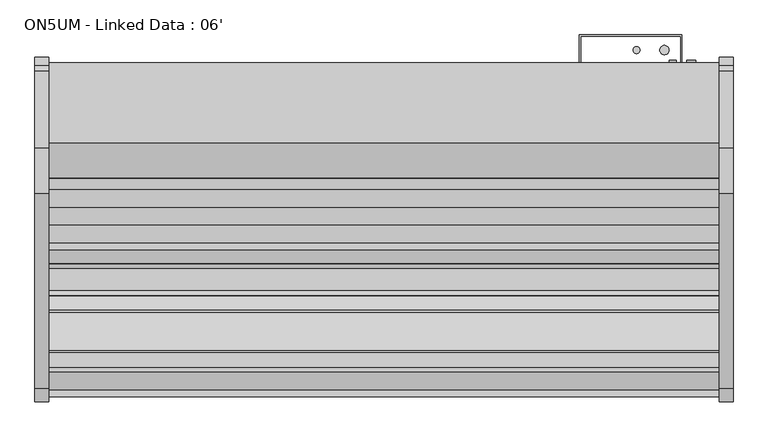
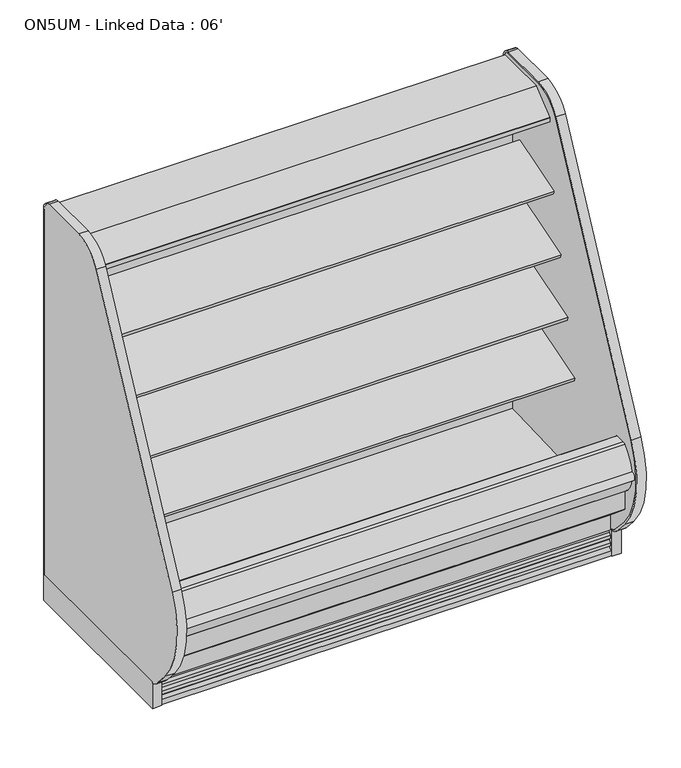
"""IFC4 building model written with IfcOpenShell, lengths in millimetres: proxy geometry, ON5UM - Linked Data : 06'."""

from ifc_helpers import new_model, si_unit, point, frame, frame_2d, origin, origin_with_axes, place, context, project, spatial, polyline, circle_curve, trimmed, segment, composite_curve, outline, extrude, source, transform, mapped, element, save
from ifc_brep_helpers import plane_surface, cylinder_surface, revolved_surface, advanced_brep


def on5um_linked_data_06_06e5a6c3(model_context):
    return source(origin(), model_context, "Body", "SolidModel", [
        extrude(outline(composite_curve([segment(polyline([(-386.2893812, 1680.5112406), (-386.2893812, 114.3), (-1152.4160029, 114.3), (-1152.4160029, 109.4814209)]), True, "CONTINUOUS"), segment(trimmed(circle_curve(frame_2d((-1137.0030162, 174.3506772)), 66.6751871), [point((-1152.4160029, 109.4814209))], [point((-1188.0213353, 131.4238594))], False, "CARTESIAN"), True, "CONTINUOUS"), segment(polyline([(-1188.0213353, 131.4238594), (-1241.1522033, 191.7701108)]), True, "CONTINUOUS"), segment(trimmed(circle_curve(frame_2d((-969.519668, 423.7103658)), 357.1841488), [point((-1241.1522033, 191.7701108))], [point((-1289.7288766, 581.9714755))], False, "CARTESIAN"), True, "CONTINUOUS"), segment(trimmed(circle_curve(frame_2d((9141.921087, -3966.5313645)), 11380.1669166), [point((-1289.7288766, 581.9714755))], [point((-757.6298618, 1646.586313))], False, "CARTESIAN"), True, "CONTINUOUS"), segment(trimmed(circle_curve(frame_2d((-626.9237334, 1572.4749838)), 150.2550535), [point((-757.6298618, 1646.586313))], [point((-633.7326134, 1722.5756842))], False, "CARTESIAN"), True, "CONTINUOUS"), segment(polyline([(-633.7326134, 1722.5756842), (-424.7661122, 1722.5756842)]), True, "CONTINUOUS"), segment(trimmed(circle_curve(frame_2d((-424.7661122, 1689.095884)), 33.4798002), [point((-424.7661122, 1722.5756842))], [point((-408.2318186, 1718.2079804))], False, "CARTESIAN"), True, "CONTINUOUS"), segment(trimmed(circle_curve(frame_2d((-429.6417835, 1680.5112406)), 43.3524023), [point((-408.2318186, 1718.2079804))], [point((-386.2893812, 1680.5112406))], False, "CARTESIAN"), True, "CONTINUOUS")], self_intersect=False)), frame((-38.1, 0.0, 0.0), z_axis=(1.0, 0.0, 0.0), x_axis=(0.0, 1.0, 0.0)), (0.0, 0.0, 1.0), 38.1),
        advanced_brep(
        [(-38.1, -1238.2478592, 197.2583924), (-38.1, -1170.0712436, 125.1554313), (-38.1, -1152.4994478, 116.8957338), (-38.1, -1152.4994478, 109.4924604), (-38.1, -1188.0465066, 131.4150415), (-38.1, -1241.1522033, 191.7701108), (-38.1, -1289.7288766, 581.9714755), (-38.1, -757.6298618, 1646.586313), (-38.1, -633.7326134, 1722.5756842), (-38.1, -424.7661122, 1722.5756842), (-38.1, -408.2318186, 1718.2079804), (-38.1, -386.2893812, 1680.5112406), (-38.1, -386.2893812, 114.3), (-38.1, -392.6393812, 114.3), (-38.1, -392.6393812, 1680.5112406), (-38.1, -411.3678219, 1712.6863879), (-38.1, -424.7661122, 1716.2256842), (-38.1, -633.5871081, 1716.2256842), (-38.1, -752.1060282, 1643.454259), (-38.1, -1283.943801, 579.3516742), (0.0, -1238.2478594, 197.2583922), (0.0, -1283.943801, 579.3516742), (0.0, -752.1060287, 1643.4542593), (0.0, -633.5871081, 1716.2256842), (0.0, -424.7661122, 1716.2256842), (0.0, -411.3678219, 1712.6863879), (0.0, -392.6393812, 1680.5112406), (0.0, -392.6393812, 114.3), (0.0, -386.2893812, 114.3), (0.0, -386.2893812, 1680.5112406), (0.0, -408.2318186, 1718.2079804), (0.0, -424.7661122, 1722.5756842), (0.0, -633.7326134, 1722.5756842), (0.0, -757.6298618, 1646.586313), (0.0, -1289.7288766, 581.9714755), (0.0, -1241.1522033, 191.7701108), (0.0, -1188.0465066, 131.4150415), (0.0, -1152.4994478, 109.4924604), (0.0, -1152.4994478, 116.8957338), (0.0, -1170.0712436, 125.1554313)],
        [
            (0, 1, circle_curve(frame((-38.1, -594.5520699, 737.618397), z_axis=(1.0, 0.0, 0.0), x_axis=(0.0, 1.0, 0.0)), 840.4363174)),
            (1, 2, circle_curve(frame((-38.1, -1137.362761, 171.9188236), z_axis=(1.0, 0.0, 0.0), x_axis=(0.0, 1.0, 0.0)), 57.0671508)),
            (2, 3),
            (3, 4, circle_curve(frame((-38.1, -1137.0350365, 174.3484557), z_axis=(-1.0, 0.0, 0.0), x_axis=(0.0, 1.0, 0.0)), 66.674194)),
            (4, 5),
            (5, 6, circle_curve(frame((-38.1, -969.519668, 423.7103658), z_axis=(-1.0, 0.0, 0.0), x_axis=(0.0, 1.0, 0.0)), 357.1841488)),
            (6, 7, circle_curve(frame((-38.1, 9141.921087, -3966.5313645), z_axis=(-1.0, 0.0, 0.0), x_axis=(0.0, 1.0, 0.0)), 11380.1669166)),
            (7, 8, circle_curve(frame((-38.1, -626.9237334, 1572.4749838), z_axis=(-1.0, 0.0, 0.0), x_axis=(0.0, 1.0, 0.0)), 150.2550535)),
            (8, 9),
            (9, 10, circle_curve(frame((-38.1, -424.7661122, 1689.095884), z_axis=(-1.0, 0.0, 0.0), x_axis=(0.0, 1.0, 0.0)), 33.4798002)),
            (10, 11, circle_curve(frame((-38.1, -429.6417835, 1680.5112406), z_axis=(-1.0, 0.0, 0.0), x_axis=(0.0, 1.0, 0.0)), 43.3524023)),
            (11, 12),
            (12, 13),
            (13, 14),
            (14, 15, circle_curve(frame((-38.1, -429.6417835, 1680.5112406), z_axis=(1.0, 0.0, 0.0), x_axis=(0.0, 1.0, 0.0)), 37.0024023)),
            (15, 16, circle_curve(frame((-38.1, -424.7661122, 1689.095884), z_axis=(1.0, 0.0, 0.0), x_axis=(0.0, 1.0, 0.0)), 27.1298002)),
            (16, 17),
            (17, 18, circle_curve(frame((-38.1, -626.9237334, 1572.4749838), z_axis=(1.0, 0.0, 0.0), x_axis=(0.0, 1.0, 0.0)), 143.9050535)),
            (18, 19, circle_curve(frame((-38.1, 9141.921087, -3966.5313645), z_axis=(1.0, 0.0, 0.0), x_axis=(0.0, 1.0, 0.0)), 11373.8169172)),
            (19, 0, circle_curve(frame((-38.1, -969.0620447, 423.2304283), z_axis=(1.0, 0.0, 0.0), x_axis=(0.0, 1.0, 0.0)), 351.4603305)),
            (20, 21, circle_curve(frame((0.0, -969.0620447, 423.2304283), z_axis=(-1.0, 0.0, 0.0), x_axis=(0.0, 1.0, 0.0)), 351.4603305)),
            (21, 22, circle_curve(frame((0.0, 9141.921087, -3966.5313645), z_axis=(-1.0, 0.0, 0.0), x_axis=(0.0, 1.0, 0.0)), 11373.8169172)),
            (22, 23, circle_curve(frame((0.0, -626.9237334, 1572.4749838), z_axis=(-1.0, 0.0, 0.0), x_axis=(0.0, 1.0, 0.0)), 143.9050535)),
            (23, 24),
            (24, 25, circle_curve(frame((0.0, -424.7661122, 1689.095884), z_axis=(-1.0, 0.0, 0.0), x_axis=(0.0, 1.0, 0.0)), 27.1298002)),
            (25, 26, circle_curve(frame((0.0, -429.6417835, 1680.5112406), z_axis=(-1.0, 0.0, 0.0), x_axis=(0.0, 1.0, 0.0)), 37.0024023)),
            (26, 27),
            (27, 28),
            (28, 29),
            (29, 30, circle_curve(frame((0.0, -429.6417835, 1680.5112406), z_axis=(1.0, 0.0, 0.0), x_axis=(0.0, 1.0, 0.0)), 43.3524023)),
            (30, 31, circle_curve(frame((0.0, -424.7661122, 1689.095884), z_axis=(1.0, 0.0, 0.0), x_axis=(0.0, 1.0, 0.0)), 33.4798002)),
            (31, 32),
            (32, 33, circle_curve(frame((0.0, -626.9237334, 1572.4749838), z_axis=(1.0, 0.0, 0.0), x_axis=(0.0, 1.0, 0.0)), 150.2550535)),
            (33, 34, circle_curve(frame((0.0, 9141.921087, -3966.5313645), z_axis=(1.0, 0.0, 0.0), x_axis=(0.0, 1.0, 0.0)), 11380.1669166)),
            (34, 35, circle_curve(frame((0.0, -969.519668, 423.7103658), z_axis=(1.0, 0.0, 0.0), x_axis=(0.0, 1.0, 0.0)), 357.1841488)),
            (35, 36),
            (36, 37, circle_curve(frame((0.0, -1137.0350365, 174.3484557), z_axis=(1.0, 0.0, 0.0), x_axis=(0.0, 1.0, 0.0)), 66.674194)),
            (37, 38),
            (38, 39, circle_curve(frame((0.0, -1137.362761, 171.9188236), z_axis=(-1.0, 0.0, 0.0), x_axis=(0.0, 1.0, 0.0)), 57.0671508)),
            (39, 20, circle_curve(frame((0.0, -594.5520699, 737.618397), z_axis=(-1.0, 0.0, 0.0), x_axis=(0.0, 1.0, 0.0)), 840.4363174)),
            (20, 0),
            (19, 21),
            (18, 22),
            (17, 23),
            (16, 24),
            (25, 15),
            (14, 26),
            (13, 27),
            (12, 28),
            (11, 29),
            (10, 30),
            (31, 9),
            (8, 32),
            (7, 33),
            (6, 34),
            (5, 35),
            (4, 36),
            (3, 37),
            (2, 38),
            (1, 39),
        ],
        [
            plane_surface(frame((-38.1, -617.6017141, 423.2304283), z_axis=(-1.0, 0.0, 0.0), x_axis=(0.0, 0.0, 1.0))),
            plane_surface(frame((0.0, -617.6017141, 423.2304283), z_axis=(1.0, 0.0, 0.0), x_axis=(0.0, 0.0, -1.0))),
            revolved_surface(polyline([(-38.1, -617.6017142000001, 423.2304283), (0.0, -617.6017142000001, 423.2304283)]), (-38.1, -969.0620447, 423.2304283), (-1.0, 0.0, 0.0)),
            revolved_surface(polyline([(-38.1, 20515.7380042, -3966.5313645), (0.0, 20515.7380042, -3966.5313645)]), (-38.1, 9141.921087, -3966.5313645), (-1.0, 0.0, 0.0)),
            revolved_surface(polyline([(-38.1, -483.01867989999994, 1572.4749838), (0.0, -483.01867989999994, 1572.4749838)]), (-38.1, -626.9237334, 1572.4749838), (-1.0, 0.0, 0.0)),
            plane_surface(frame((0.0, -633.5871081, 1716.2256842), z_axis=(0.0, 0.0, -1.0), x_axis=(-1.0, 0.0, 0.0))),
            revolved_surface(polyline([(-38.1, -392.6393812, 1680.5112406), (0.0, -392.6393812, 1680.5112406)]), (-38.1, -429.6417835, 1680.5112406), (-1.0, 0.0, 0.0)),
            plane_surface(frame((0.0, -392.6393812, 1680.5112406), z_axis=(0.0, -1.0, 0.0), x_axis=(-1.0, 0.0, 0.0))),
            plane_surface(frame((0.0, -392.6393812, 114.3), z_axis=(0.0, 0.0, -1.0), x_axis=(-1.0, 0.0, 0.0))),
            plane_surface(frame((0.0, -386.2893812, 114.3), z_axis=(0.0, 1.0, 0.0), x_axis=(-1.0, 0.0, 0.0))),
            cylinder_surface(frame((-38.1, -429.6417835, 1680.5112406), z_axis=(1.0, 0.0, 0.0), x_axis=(0.0, 1.0, 0.0)), 43.3524023),
            plane_surface(frame((0.0, -424.7661122, 1722.5756842), z_axis=(0.0, 0.0, 1.0), x_axis=(-1.0, 0.0, 0.0))),
            cylinder_surface(frame((-38.1, -626.9237334, 1572.4749838), z_axis=(1.0, 0.0, 0.0), x_axis=(0.0, 1.0, 0.0)), 150.2550535),
            cylinder_surface(frame((-38.1, 9141.921087, -3966.5313645), z_axis=(1.0, 0.0, 0.0), x_axis=(0.0, 1.0, 0.0)), 11380.1669166),
            cylinder_surface(frame((-38.1, -969.519668, 423.7103658), z_axis=(1.0, 0.0, 0.0), x_axis=(0.0, 1.0, 0.0)), 357.1841488),
            plane_surface(frame((0.0, -1241.1522033, 191.7701108), z_axis=(0.0, -0.7507552443600822, -0.6605804743298377), x_axis=(-1.0, 0.0, 0.0))),
            cylinder_surface(frame((-38.1, -1137.0350365, 174.3484557), z_axis=(1.0, 0.0, 0.0), x_axis=(0.0, 1.0, 0.0)), 66.674194),
            plane_surface(frame((0.0, -1152.4994478, 109.4924604), z_axis=(0.0, 1.0, 0.0), x_axis=(-1.0, 0.0, 0.0))),
            revolved_surface(polyline([(-38.1, -1080.2956102, 171.9188236), (0.0, -1080.2956102, 171.9188236)]), (-38.1, -1137.362761, 171.9188236), (-1.0, 0.0, 0.0)),
            revolved_surface(polyline([(-38.1, 245.88424750000001, 737.618397), (0.0, 245.88424750000001, 737.618397)]), (-38.1, -594.5520699, 737.618397), (-1.0, 0.0, 0.0)),
            revolved_surface(polyline([(-38.1, -397.63631200000003, 1689.095884), (0.0, -397.63631200000003, 1689.095884)]), (-38.1, -424.7661122, 1689.095884), (-1.0, 0.0, 0.0)),
            cylinder_surface(frame((-38.1, -424.7661122, 1689.095884), z_axis=(1.0, 0.0, 0.0), x_axis=(0.0, 1.0, 0.0)), 33.4798002),
        ],
        [
            (0, [[1, 2, 3, 4, 5, 6, 7, 8, 9, 10, 11, 12, 13, 14, 15, 16, 17, 18, 19, 20]]),
            (1, [[21, 22, 23, 24, 25, 26, 27, 28, 29, 30, 31, 32, 33, 34, 35, 36, 37, 38, 39, 40]]),
            (2, [[-21, 41, -20, 42]]),
            (3, [[-22, -42, -19, 43]]),
            (4, [[-23, -43, -18, 44]]),
            (5, [[-24, -44, -17, 45]]),
            (6, [[-26, 46, -15, 47]]),
            (7, [[-27, -47, -14, 48]]),
            (8, [[-28, -48, -13, 49]]),
            (9, [[-29, -49, -12, 50]]),
            (10, [[-30, -50, -11, 51]]),
            (11, [[-32, 52, -9, 53]]),
            (12, [[-33, -53, -8, 54]]),
            (13, [[-34, -54, -7, 55]]),
            (14, [[-35, -55, -6, 56]]),
            (15, [[-36, -56, -5, 57]]),
            (16, [[-37, -57, -4, 58]]),
            (17, [[-38, -58, -3, 59]]),
            (18, [[-39, -59, -2, 60]]),
            (19, [[-40, -60, -1, -41]]),
            (20, [[-25, -45, -16, -46]]),
            (21, [[-31, -51, -10, -52]]),
        ],
    ),
        advanced_brep(
        [(1828.8, -392.6393812, 114.3), (1828.8, -392.6393812, 1680.5112406), (1828.8, -411.3678219, 1712.6863879), (1828.8, -424.7661122, 1716.2256842), (1828.8, -633.5871081, 1716.2256842), (1828.8, -752.1060282, 1643.454259), (1828.8, -1283.943801, 579.3516742), (1828.8, -1238.2478594, 197.2583922), (1828.8, -1170.0712436, 125.1554313), (1828.8, -1152.4994478, 116.8957338), (1828.8, -1152.4994478, 109.4924604), (1828.8, -1188.0465066, 131.4150415), (1828.8, -1241.1522033, 191.7701108), (1828.8, -1289.7288766, 581.9714755), (1828.8, -757.6298618, 1646.586313), (1828.8, -633.7326134, 1722.5756842), (1828.8, -424.7661122, 1722.5756842), (1828.8, -408.2318186, 1718.2079804), (1828.8, -386.2893812, 1680.5112406), (1828.8, -386.2893812, 114.3), (1866.9, -392.6393812, 114.3), (1866.9, -386.2893812, 114.3), (1866.9, -386.2893812, 1680.5112406), (1866.9, -408.2318186, 1718.2079804), (1866.9, -424.7661122, 1722.5756842), (1866.9, -633.7326134, 1722.5756842), (1866.9, -757.6298618, 1646.586313), (1866.9, -1289.7288766, 581.9714755), (1866.9, -1241.1522033, 191.7701108), (1866.9, -1188.0465066, 131.4150415), (1866.9, -1152.4994478, 109.4924604), (1866.9, -1152.4994478, 116.8957338), (1866.9, -1170.0712436, 125.1554313), (1866.9, -1238.2478592, 197.2583924), (1866.9, -1283.943801, 579.3516742), (1866.9, -752.1060287, 1643.4542593), (1866.9, -633.5871081, 1716.2256842), (1866.9, -424.7661122, 1716.2256842), (1866.9, -411.3678219, 1712.6863879), (1866.9, -392.6393812, 1680.5112406)],
        [
            (0, 1),
            (1, 2, circle_curve(frame((1828.8, -429.6417835, 1680.5112406), z_axis=(1.0, 0.0, 0.0), x_axis=(0.0, 1.0, 0.0)), 37.0024023)),
            (2, 3, circle_curve(frame((1828.8, -424.7661122, 1689.095884), z_axis=(1.0, 0.0, 0.0), x_axis=(0.0, 1.0, 0.0)), 27.1298002)),
            (3, 4),
            (4, 5, circle_curve(frame((1828.8, -626.9237334, 1572.4749838), z_axis=(1.0, 0.0, 0.0), x_axis=(0.0, 1.0, 0.0)), 143.9050535)),
            (5, 6, circle_curve(frame((1828.8, 9141.921087, -3966.5313645), z_axis=(1.0, 0.0, 0.0), x_axis=(0.0, 1.0, 0.0)), 11373.8169172)),
            (6, 7, circle_curve(frame((1828.8, -969.0620447, 423.2304283), z_axis=(1.0, 0.0, 0.0), x_axis=(0.0, 1.0, 0.0)), 351.4603305)),
            (7, 8, circle_curve(frame((1828.8, -594.5520699, 737.618397), z_axis=(1.0, 0.0, 0.0), x_axis=(0.0, 1.0, 0.0)), 840.4363174)),
            (8, 9, circle_curve(frame((1828.8, -1137.362761, 171.9188236), z_axis=(1.0, 0.0, 0.0), x_axis=(0.0, 1.0, 0.0)), 57.0671508)),
            (9, 10),
            (10, 11, circle_curve(frame((1828.8, -1137.0350365, 174.3484557), z_axis=(-1.0, 0.0, 0.0), x_axis=(0.0, 1.0, 0.0)), 66.674194)),
            (11, 12),
            (12, 13, circle_curve(frame((1828.8, -969.519668, 423.7103658), z_axis=(-1.0, 0.0, 0.0), x_axis=(0.0, 1.0, 0.0)), 357.1841488)),
            (13, 14, circle_curve(frame((1828.8, 9141.921087, -3966.5313645), z_axis=(-1.0, 0.0, 0.0), x_axis=(0.0, 1.0, 0.0)), 11380.1669166)),
            (14, 15, circle_curve(frame((1828.8, -626.9237334, 1572.4749838), z_axis=(-1.0, 0.0, 0.0), x_axis=(0.0, 1.0, 0.0)), 150.2550535)),
            (15, 16),
            (16, 17, circle_curve(frame((1828.8, -424.7661122, 1689.095884), z_axis=(-1.0, 0.0, 0.0), x_axis=(0.0, 1.0, 0.0)), 33.4798002)),
            (17, 18, circle_curve(frame((1828.8, -429.6417835, 1680.5112406), z_axis=(-1.0, 0.0, 0.0), x_axis=(0.0, 1.0, 0.0)), 43.3524023)),
            (18, 19),
            (19, 0),
            (20, 21),
            (21, 22),
            (22, 23, circle_curve(frame((1866.9, -429.6417835, 1680.5112406), z_axis=(1.0, 0.0, 0.0), x_axis=(0.0, 1.0, 0.0)), 43.3524023)),
            (23, 24, circle_curve(frame((1866.9, -424.7661122, 1689.095884), z_axis=(1.0, 0.0, 0.0), x_axis=(0.0, 1.0, 0.0)), 33.4798002)),
            (24, 25),
            (25, 26, circle_curve(frame((1866.9, -626.9237334, 1572.4749838), z_axis=(1.0, 0.0, 0.0), x_axis=(0.0, 1.0, 0.0)), 150.2550535)),
            (26, 27, circle_curve(frame((1866.9, 9141.921087, -3966.5313645), z_axis=(1.0, 0.0, 0.0), x_axis=(0.0, 1.0, 0.0)), 11380.1669166)),
            (27, 28, circle_curve(frame((1866.9, -969.519668, 423.7103658), z_axis=(1.0, 0.0, 0.0), x_axis=(0.0, 1.0, 0.0)), 357.1841488)),
            (28, 29),
            (29, 30, circle_curve(frame((1866.9, -1137.0350365, 174.3484557), z_axis=(1.0, 0.0, 0.0), x_axis=(0.0, 1.0, 0.0)), 66.674194)),
            (30, 31),
            (31, 32, circle_curve(frame((1866.9, -1137.362761, 171.9188236), z_axis=(-1.0, 0.0, 0.0), x_axis=(0.0, 1.0, 0.0)), 57.0671508)),
            (32, 33, circle_curve(frame((1866.9, -594.5520699, 737.618397), z_axis=(-1.0, 0.0, 0.0), x_axis=(0.0, 1.0, 0.0)), 840.4363174)),
            (33, 34, circle_curve(frame((1866.9, -969.0620447, 423.2304283), z_axis=(-1.0, 0.0, 0.0), x_axis=(0.0, 1.0, 0.0)), 351.4603305)),
            (34, 35, circle_curve(frame((1866.9, 9141.921087, -3966.5313645), z_axis=(-1.0, 0.0, 0.0), x_axis=(0.0, 1.0, 0.0)), 11373.8169172)),
            (35, 36, circle_curve(frame((1866.9, -626.9237334, 1572.4749838), z_axis=(-1.0, 0.0, 0.0), x_axis=(0.0, 1.0, 0.0)), 143.9050535)),
            (36, 37),
            (37, 38, circle_curve(frame((1866.9, -424.7661122, 1689.095884), z_axis=(-1.0, 0.0, 0.0), x_axis=(0.0, 1.0, 0.0)), 27.1298002)),
            (38, 39, circle_curve(frame((1866.9, -429.6417835, 1680.5112406), z_axis=(-1.0, 0.0, 0.0), x_axis=(0.0, 1.0, 0.0)), 37.0024023)),
            (39, 20),
            (20, 0),
            (19, 21),
            (18, 22),
            (24, 16),
            (15, 25),
            (14, 26),
            (13, 27),
            (12, 28),
            (11, 29),
            (10, 30),
            (9, 31),
            (8, 32),
            (7, 33),
            (6, 34),
            (5, 35),
            (4, 36),
            (3, 37),
            (39, 1),
            (17, 23),
            (2, 38),
        ],
        [
            plane_surface(frame((1828.8, -417.3839273, 114.3), z_axis=(-1.0, 0.0, 0.0), x_axis=(0.0, -1.0, 0.0))),
            plane_surface(frame((1866.9, -417.3839273, 114.3), z_axis=(1.0, 0.0, 0.0), x_axis=(0.0, 1.0, 0.0))),
            plane_surface(frame((1866.9, -392.6393812, 114.3), z_axis=(0.0, 0.0, -1.0), x_axis=(-1.0, 0.0, 0.0))),
            plane_surface(frame((1866.9, -386.2893812, 114.3), z_axis=(0.0, 1.0, 0.0), x_axis=(-1.0, 0.0, 0.0))),
            plane_surface(frame((1866.9, -424.7661122, 1722.5756842), z_axis=(0.0, 0.0, 1.0), x_axis=(-1.0, 0.0, 0.0))),
            cylinder_surface(frame((1828.8, -626.9237334, 1572.4749838), z_axis=(1.0, 0.0, 0.0), x_axis=(0.0, 1.0, 0.0)), 150.2550535),
            cylinder_surface(frame((1828.8, 9141.921087, -3966.5313645), z_axis=(1.0, 0.0, 0.0), x_axis=(0.0, 1.0, 0.0)), 11380.1669166),
            cylinder_surface(frame((1828.8, -969.519668, 423.7103658), z_axis=(1.0, 0.0, 0.0), x_axis=(0.0, 1.0, 0.0)), 357.1841488),
            plane_surface(frame((1866.9, -1241.1522033, 191.7701108), z_axis=(0.0, -0.750755244360021, -0.6605804743299073), x_axis=(-1.0, 0.0, 0.0))),
            cylinder_surface(frame((1828.8, -1137.0350365, 174.3484557), z_axis=(1.0, 0.0, 0.0), x_axis=(0.0, 1.0, 0.0)), 66.674194),
            plane_surface(frame((1866.9, -1152.4994478, 109.4924604), z_axis=(0.0, 1.0, 0.0), x_axis=(-1.0, 0.0, 0.0))),
            revolved_surface(polyline([(1828.8, -1080.2956102, 171.9188236), (1866.9, -1080.2956102, 171.9188236)]), (1828.8, -1137.362761, 171.9188236), (-1.0, 0.0, 0.0)),
            revolved_surface(polyline([(1828.8, 245.88424750000001, 737.618397), (1866.9, 245.88424750000001, 737.618397)]), (1828.8, -594.5520699, 737.618397), (-1.0, 0.0, 0.0)),
            revolved_surface(polyline([(1828.8, -617.6017142000001, 423.2304283), (1866.9, -617.6017142000001, 423.2304283)]), (1828.8, -969.0620447, 423.2304283), (-1.0, 0.0, 0.0)),
            revolved_surface(polyline([(1828.8, 20515.7380042, -3966.5313645), (1866.9, 20515.7380042, -3966.5313645)]), (1828.8, 9141.921087, -3966.5313645), (-1.0, 0.0, 0.0)),
            revolved_surface(polyline([(1828.8, -483.01867989999994, 1572.4749838), (1866.9, -483.01867989999994, 1572.4749838)]), (1828.8, -626.9237334, 1572.4749838), (-1.0, 0.0, 0.0)),
            plane_surface(frame((1866.9, -633.5871081, 1716.2256842), z_axis=(0.0, 0.0, -1.0), x_axis=(-1.0, 0.0, 0.0))),
            plane_surface(frame((1866.9, -392.6393812, 1680.5112406), z_axis=(0.0, -1.0, 0.0), x_axis=(-1.0, 0.0, 0.0))),
            cylinder_surface(frame((1828.8, -429.6417835, 1680.5112406), z_axis=(1.0, 0.0, 0.0), x_axis=(0.0, 1.0, 0.0)), 43.3524023),
            cylinder_surface(frame((1828.8, -424.7661122, 1689.095884), z_axis=(1.0, 0.0, 0.0), x_axis=(0.0, 1.0, 0.0)), 33.4798002),
            revolved_surface(polyline([(1828.8, -397.63631200000003, 1689.095884), (1866.9, -397.63631200000003, 1689.095884)]), (1828.8, -424.7661122, 1689.095884), (-1.0, 0.0, 0.0)),
            revolved_surface(polyline([(1828.8, -392.6393812, 1680.5112406), (1866.9, -392.6393812, 1680.5112406)]), (1828.8, -429.6417835, 1680.5112406), (-1.0, 0.0, 0.0)),
        ],
        [
            (0, [[1, 2, 3, 4, 5, 6, 7, 8, 9, 10, 11, 12, 13, 14, 15, 16, 17, 18, 19, 20]]),
            (1, [[21, 22, 23, 24, 25, 26, 27, 28, 29, 30, 31, 32, 33, 34, 35, 36, 37, 38, 39, 40]]),
            (2, [[-21, 41, -20, 42]]),
            (3, [[-22, -42, -19, 43]]),
            (4, [[-25, 44, -16, 45]]),
            (5, [[-26, -45, -15, 46]]),
            (6, [[-27, -46, -14, 47]]),
            (7, [[-28, -47, -13, 48]]),
            (8, [[-29, -48, -12, 49]]),
            (9, [[-30, -49, -11, 50]]),
            (10, [[-31, -50, -10, 51]]),
            (11, [[-32, -51, -9, 52]]),
            (12, [[-33, -52, -8, 53]]),
            (13, [[-34, -53, -7, 54]]),
            (14, [[-35, -54, -6, 55]]),
            (15, [[-36, -55, -5, 56]]),
            (16, [[-37, -56, -4, 57]]),
            (17, [[-40, 58, -1, -41]]),
            (18, [[-23, -43, -18, 59]]),
            (19, [[-24, -59, -17, -44]]),
            (20, [[-38, -57, -3, 60]]),
            (21, [[-39, -60, -2, -58]]),
        ],
    ),
        extrude(outline(composite_curve([segment(polyline([(-1152.4160029, 114.3), (-1152.4160029, 109.4814209)]), True, "CONTINUOUS"), segment(trimmed(circle_curve(frame_2d((-1137.0030162, 174.3506772)), 66.6751871), [point((-1152.4160029, 109.4814209))], [point((-1188.0213353, 131.4238594))], False, "CARTESIAN"), True, "CONTINUOUS"), segment(polyline([(-1188.0213353, 131.4238594), (-1241.1522033, 191.7701108)]), True, "CONTINUOUS"), segment(trimmed(circle_curve(frame_2d((-969.519668, 423.7103658)), 357.1841488), [point((-1241.1522033, 191.7701108))], [point((-1289.7288766, 581.9714755))], False, "CARTESIAN"), True, "CONTINUOUS"), segment(trimmed(circle_curve(frame_2d((9141.921087, -3966.5313645)), 11380.1669166), [point((-1289.7288766, 581.9714755))], [point((-757.6298618, 1646.586313))], False, "CARTESIAN"), True, "CONTINUOUS"), segment(trimmed(circle_curve(frame_2d((-626.9237334, 1572.4749838)), 150.2550535), [point((-757.6298618, 1646.586313))], [point((-633.7326134, 1722.5756842))], False, "CARTESIAN"), True, "CONTINUOUS"), segment(polyline([(-633.7326134, 1722.5756842), (-424.7661122, 1722.5756842)]), True, "CONTINUOUS"), segment(trimmed(circle_curve(frame_2d((-424.7661122, 1689.095884)), 33.4798002), [point((-424.7661122, 1722.5756842))], [point((-408.2318186, 1718.2079804))], False, "CARTESIAN"), True, "CONTINUOUS"), segment(trimmed(circle_curve(frame_2d((-429.6417835, 1680.5112406)), 43.3524023), [point((-408.2318186, 1718.2079804))], [point((-386.2893812, 1680.5112406))], False, "CARTESIAN"), True, "CONTINUOUS"), segment(polyline([(-386.2893812, 1680.5112406), (-386.2893812, 114.3), (-1152.4160029, 114.3)]), True, "CONTINUOUS")], self_intersect=False)), frame((1828.8, 0.0, 0.0), z_axis=(1.0, 0.0, 0.0), x_axis=(0.0, 1.0, 0.0)), (0.0, 0.0, 1.0), 38.1),
        extrude(outline(polyline([(1866.9, -385.6339273), (1866.9, -1152.4160029), (1828.8, -1152.4160029), (1828.8, -385.6339273), (1866.9, -385.6339273)])), origin_with_axes(), (0.0, 0.0, 1.0), 114.3),
        extrude(outline(composite_curve([segment(polyline([(-514.5457224, 1615.7605838), (-504.8382084, 1618.7588787), (-504.5715038, 1617.8953752), (-503.5043326, 1617.8953752), (-503.5043326, 1524.1310435), (-528.7995468, 1520.5782473)]), True, "CONTINUOUS"), segment(trimmed(circle_curve(frame_2d((-528.9394297, 1522.1519225)), 1.57988), [point((-528.7995468, 1520.5782473))], [point((-530.5039344, 1521.9320457))], False, "CARTESIAN"), True, "CONTINUOUS"), segment(polyline([(-530.5039344, 1521.9320457), (-531.3887441, 1528.2277938), (-530.6039765, 1528.3380857), (-529.6095819, 1521.2626005), (-506.0288235, 1524.57666), (-520.1248622, 1624.875187), (-542.8854436, 1621.8528314)]), True, "CONTINUOUS"), segment(trimmed(circle_curve(frame_2d((-542.7817953, 1621.072283)), 0.7874), [point((-542.8854436, 1621.8528314))], [point((-543.5623437, 1620.9686347))], True, "CARTESIAN"), True, "CONTINUOUS"), segment(polyline([(-543.5623437, 1620.9686347), (-542.5392347, 1613.2638646), (-543.3197834, 1613.1602184), (-544.3428921, 1620.8649865)]), True, "CONTINUOUS"), segment(trimmed(circle_curve(frame_2d((-542.7817953, 1621.072283)), 1.5748), [point((-544.3428921, 1620.8649865))], [point((-542.9890919, 1622.6333798))], False, "CARTESIAN"), True, "CONTINUOUS"), segment(polyline([(-542.9890919, 1622.6333798), (-519.0246807, 1625.8155909)]), True, "CONTINUOUS"), segment(trimmed(circle_curve(frame_2d((-518.8173842, 1624.2544941)), 1.5748), [point((-519.0246807, 1625.8155909))], [point((-517.3127195, 1624.7192298))], False, "CARTESIAN"), True, "CONTINUOUS"), segment(polyline([(-517.3127195, 1624.7192298), (-514.5457224, 1615.7605838)]), True, "CONTINUOUS")], self_intersect=False)), frame((0.0, 0.0, 0.0), z_axis=(1.0, 0.0, 0.0), x_axis=(0.0, 1.0, 0.0)), (0.0, 0.0, 1.0), 1828.8),
        extrude(outline(polyline([(-401.5362454, 1697.0375), (-401.5362454, 1650.6095648), (-452.3362454, 1650.6095648), (-452.3362454, 1617.8953752), (-504.5715038, 1617.8953752), (-506.6507529, 1624.6273143), (-511.4451991, 1623.1464857), (-535.5152392, 1651.8320425), (-642.283557, 1651.8320425), (-643.121757, 1650.9938425), (-643.121757, 1639.8686425), (-643.6798466, 1638.6898324), (-688.3176895, 1602.1138324), (-689.2835999, 1601.7686425), (-700.780223, 1601.7686425), (-700.780223, 1599.8368669), (-715.8942413, 1599.8368669), (-715.8942413, 1618.1058169), (-715.3010798, 1619.3494059), (-619.3642733, 1697.0375), (-401.5362454, 1697.0375)])), frame((0.0, 0.0, 0.0), z_axis=(1.0, 0.0, 0.0), x_axis=(0.0, 1.0, 0.0)), (0.0, 0.0, 1.0), 1828.8),
        extrude(outline(composite_curve([segment(polyline([(-506.0288235, 1524.57666), (-529.6095819, 1521.2626005), (-530.6039765, 1528.3380857), (-542.5344107, 1613.2275359), (-543.5623437, 1620.9686347)]), True, "CONTINUOUS"), segment(trimmed(circle_curve(frame_2d((-542.7817953, 1621.072283)), 0.7874), [point((-543.5623437, 1620.9686347))], [point((-542.8854436, 1621.8528314))], False, "CARTESIAN"), True, "CONTINUOUS"), segment(polyline([(-542.8854436, 1621.8528314), (-520.1248622, 1624.875187), (-506.0288235, 1524.57666)]), True, "CONTINUOUS")], self_intersect=False)), frame((0.0, 0.0, 0.0), z_axis=(1.0, 0.0, 0.0), x_axis=(0.0, 1.0, 0.0)), (0.0, 0.0, 1.0), 1828.8),
        extrude(outline(composite_curve([segment(trimmed(circle_curve(frame_2d((-586.8588534, 1611.5018376)), 14.2875), [point((-601.1463534, 1611.5018376))], [point((-572.5713534, 1611.5018376))], False, "CARTESIAN"), True, "CONTINUOUS"), segment(trimmed(circle_curve(frame_2d((-586.8588534, 1611.5018376)), 14.2875), [point((-572.5713534, 1611.5018376))], [point((-601.1463534, 1611.5018376))], False, "CARTESIAN"), True, "CONTINUOUS")], self_intersect=False)), frame((0.0, 0.0, 0.0), z_axis=(1.0, 0.0, 0.0), x_axis=(0.0, 1.0, 0.0)), (0.0, 0.0, 1.0), 1828.8),
        extrude(outline(composite_curve([segment(trimmed(circle_curve(frame_2d((-624.2476534, 1611.5018376)), 14.2875), [point((-638.5351534, 1611.5018376))], [point((-609.9601534, 1611.5018376))], False, "CARTESIAN"), True, "CONTINUOUS"), segment(trimmed(circle_curve(frame_2d((-624.2476534, 1611.5018376)), 14.2875), [point((-609.9601534, 1611.5018376))], [point((-638.5351534, 1611.5018376))], False, "CARTESIAN"), True, "CONTINUOUS")], self_intersect=False)), frame((0.0, 0.0, 0.0), z_axis=(1.0, 0.0, 0.0), x_axis=(0.0, 1.0, 0.0)), (0.0, 0.0, 1.0), 1828.8),
        extrude(outline(composite_curve([segment(polyline([(-503.4770145, 863.3098138), (-520.8520366, 857.6729901)]), True, "CONTINUOUS"), segment(trimmed(circle_curve(frame_2d((-528.6901714, 881.8333635)), 25.4), [point((-520.8520366, 857.6729901))], [point((-538.1963728, 858.2793376))], False, "CARTESIAN"), True, "CONTINUOUS"), segment(polyline([(-538.1963728, 858.2793376), (-559.4917706, 866.8739762)]), True, "CONTINUOUS"), segment(trimmed(circle_curve(frame_2d((-583.257274, 807.9889114)), 63.5), [point((-559.4917706, 866.8739762))], [point((-594.1259367, 870.5518571))], True, "CARTESIAN"), True, "CONTINUOUS"), segment(polyline([(-594.1259367, 870.5518571), (-731.8940366, 853.2118233), (-734.3236807, 856.0667635), (-839.3802906, 823.9477346), (-843.5389858, 837.5502134), (-503.4770145, 941.5175916), (-503.4770145, 863.3098138)]), True, "CONTINUOUS")], self_intersect=False)), frame((0.0, 0.0, 0.0), z_axis=(1.0, 0.0, 0.0), x_axis=(0.0, 1.0, 0.0)), (0.0, 0.0, 1.0), 1828.8),
        extrude(outline(polyline([(1866.9, -385.6339273), (1866.9, -1152.4160029), (1828.8, -1152.4160029), (1828.8, -385.6339273), (1866.9, -385.6339273)])), origin_with_axes(), (0.0, 0.0, 1.0), 114.3),
        extrude(outline(composite_curve([segment(polyline([(-503.4770145, 1088.9683713), (-520.8520366, 1083.3315476)]), True, "CONTINUOUS"), segment(trimmed(circle_curve(frame_2d((-528.6901714, 1107.491921)), 25.4), [point((-520.8520366, 1083.3315476))], [point((-538.1963728, 1083.9378951))], False, "CARTESIAN"), True, "CONTINUOUS"), segment(polyline([(-538.1963728, 1083.9378951), (-559.4917706, 1092.5325337)]), True, "CONTINUOUS"), segment(trimmed(circle_curve(frame_2d((-583.257274, 1033.6474689)), 63.5), [point((-559.4917706, 1092.5325337))], [point((-594.1259367, 1096.2104146))], True, "CARTESIAN"), True, "CONTINUOUS"), segment(polyline([(-594.1259367, 1096.2104146), (-731.8940366, 1078.8703808), (-734.3236807, 1081.725321), (-790.800009, 1064.4587746), (-794.9587042, 1078.0612535), (-503.4770145, 1167.1761491), (-503.4770145, 1088.9683713)]), True, "CONTINUOUS")], self_intersect=False)), frame((0.0, 0.0, 0.0), z_axis=(1.0, 0.0, 0.0), x_axis=(0.0, 1.0, 0.0)), (0.0, 0.0, 1.0), 1828.8),
        extrude(outline(composite_curve([segment(trimmed(circle_curve(frame_2d((-1295.2968597, 431.6758132)), 17.3404466), [point((-1294.9549897, 414.338737))], [point((-1294.7322045, 449.007064))], False, "CARTESIAN"), True, "CONTINUOUS"), segment(trimmed(circle_curve(frame_2d((-1122.863718, 403.4621932)), 177.8007646), [point((-1294.7322045, 449.007064))], [point((-1296.5810234, 441.3489948))], True, "CARTESIAN"), True, "CONTINUOUS"), segment(trimmed(circle_curve(frame_2d((-1169.7227431, 435.4318662)), 126.9962034), [point((-1296.5810234, 441.3489948))], [point((-1294.9549897, 414.338737))], True, "CARTESIAN"), True, "CONTINUOUS")], self_intersect=False)), frame((0.0, 0.0, 0.0), z_axis=(1.0, 0.0, 0.0), x_axis=(0.0, 1.0, 0.0)), (0.0, 0.0, 1.0), 1828.8),
        extrude(outline(composite_curve([segment(trimmed(circle_curve(frame_2d((1669.0362287, -1007.9339273)), 12.7), [point((1656.3362287, -1007.9339273))], [point((1681.7362287, -1007.9339273))], False, "CARTESIAN"), True, "CONTINUOUS"), segment(trimmed(circle_curve(frame_2d((1669.0362287, -1007.9339273)), 12.7), [point((1681.7362287, -1007.9339273))], [point((1656.3362287, -1007.9339273))], False, "CARTESIAN"), True, "CONTINUOUS")], self_intersect=False)), frame((0.0, 0.0, 68.5310382), z_axis=(0.0, 0.0, 1.0), x_axis=(1.0, 0.0, 0.0)), (0.0, 0.0, 1.0), 52.7807458),
        extrude(outline(composite_curve([segment(trimmed(circle_curve(frame_2d((1618.83831, -1007.9339273)), 9.525), [point((1609.31331, -1007.9339273))], [point((1628.36331, -1007.9339273))], False, "CARTESIAN"), True, "CONTINUOUS"), segment(trimmed(circle_curve(frame_2d((1618.83831, -1007.9339273)), 9.525), [point((1628.36331, -1007.9339273))], [point((1609.31331, -1007.9339273))], False, "CARTESIAN"), True, "CONTINUOUS")], self_intersect=False)), frame((0.0, 0.0, 68.5310382), z_axis=(0.0, 0.0, 1.0), x_axis=(1.0, 0.0, 0.0)), (0.0, 0.0, 1.0), 52.7807458),
        extrude(outline(polyline([(0.0, -386.2893812), (0.0, -1152.4160029), (-38.1, -1152.4160029), (-38.1, -386.2893812), (0.0, -386.2893812)])), origin_with_axes(), (0.0, 0.0, 1.0), 114.3),
        extrude(outline(polyline([(1724.025, -401.5089273), (1724.025, -328.4839273), (1450.975, -328.4839273), (1450.975, -401.5089273), (1447.8, -401.5089273), (1447.8, -325.3089273), (1727.2, -325.3089273), (1727.2, -401.5089273), (1724.025, -401.5089273)])), frame((0.0, 0.0, 522.6122796), z_axis=(0.0, 0.0, 1.0), x_axis=(1.0, 0.0, 0.0)), (0.0, 0.0, 1.0), 1034.456007),
        advanced_brep(
        [(0.0, -401.5089273, 1650.6095648), (0.0, -401.5089273, 130.175), (0.0, -1092.9329421, 130.175), (0.0, -1242.6779256, 255.8259604), (0.0, -1242.6779256, 390.4771975), (0.0, -1191.6695874, 390.4771975), (0.0, -1191.6695874, 280.6965658), (0.0, -1081.6882807, 188.4112919), (0.0, -1075.5167374, 188.6268069), (0.0, -1036.8125365, 160.6272219), (0.0, -1035.5745571, 160.670453), (0.0, -1022.2030531, 151.6562137), (0.0, -961.9148015, 153.7615258), (0.0, -949.2046713, 163.6865559), (0.0, -947.966692, 163.7297871), (0.0, -911.2586215, 194.4039054), (0.0, -452.3089273, 210.4307819), (0.0, -452.3089273, 1650.6095648), (1828.8, -401.5089273, 1650.6095648), (1828.8, -452.3089273, 1650.6095648), (1828.8, -452.3089273, 210.4307819), (1828.8, -911.2586215, 194.4039054), (1828.8, -947.966692, 163.7297871), (1828.8, -949.2046713, 163.6865559), (1828.8, -961.9148015, 153.7615258), (1828.8, -1022.2030531, 151.6562137), (1828.8, -1035.5745571, 160.670453), (1828.8, -1036.8125365, 160.6272219), (1828.8, -1075.5167374, 188.6268069), (1828.8, -1081.6882807, 188.4112919), (1828.8, -1191.6695874, 280.6965658), (1828.8, -1191.6695874, 390.4771975), (1828.8, -1242.6779256, 390.4771975), (1828.8, -1242.6779256, 255.8259604), (1828.8, -1092.9329421, 130.175), (1828.8, -401.5089273, 130.175), (1727.2, -401.5089273, 368.3), (1727.2, -401.5089273, 266.7), (1727.2, -446.7209273, 266.7), (1727.2, -446.7209273, 368.3)],
        [
            (0, 1),
            (1, 2),
            (2, 3),
            (3, 4),
            (4, 5),
            (5, 6),
            (6, 7),
            (7, 8),
            (8, 9),
            (9, 10),
            (10, 11),
            (11, 12),
            (12, 13),
            (13, 14),
            (14, 15),
            (15, 16),
            (16, 17),
            (17, 0),
            (18, 19),
            (19, 20),
            (20, 21),
            (21, 22),
            (22, 23),
            (23, 24),
            (24, 25),
            (25, 26),
            (26, 27),
            (27, 28),
            (28, 29),
            (29, 30),
            (30, 31),
            (31, 32),
            (32, 33),
            (33, 34),
            (34, 35),
            (35, 18),
            (17, 19),
            (18, 0),
            (16, 20),
            (1, 35),
            (34, 2),
            (36, 37, circle_curve(frame((1727.2, -401.5089273, 317.5), z_axis=(0.0, -1.0, 0.0), x_axis=(0.0, 0.0, 1.0)), 50.8)),
            (37, 36, circle_curve(frame((1727.2, -401.5089273, 317.5), z_axis=(0.0, -1.0, 0.0), x_axis=(0.0, 0.0, 1.0)), 50.8)),
            (38, 39, circle_curve(frame((1727.2, -446.7209273, 317.5), z_axis=(0.0, 1.0, 0.0), x_axis=(0.0, 0.0, 1.0)), 50.8)),
            (39, 38, circle_curve(frame((1727.2, -446.7209273, 317.5), z_axis=(0.0, 1.0, 0.0), x_axis=(0.0, 0.0, 1.0)), 50.8)),
            (38, 37),
            (36, 39),
            (15, 21),
            (14, 22),
            (13, 23),
            (12, 24),
            (11, 25),
            (10, 26),
            (9, 27),
            (8, 28),
            (7, 29),
            (6, 30),
            (5, 31),
            (4, 32),
            (3, 33),
        ],
        [
            plane_surface(frame((0.0, -452.3089273, 1650.6095648), z_axis=(-1.0, 0.0, 0.0), x_axis=(0.0, 1.0, 0.0))),
            plane_surface(frame((1828.8, -452.3089273, 1650.6095648), z_axis=(1.0, 0.0, 0.0), x_axis=(0.0, -1.0, 0.0))),
            plane_surface(frame((1828.8, -401.5089273, 1650.6095648), z_axis=(0.0, 0.0, 1.0), x_axis=(-1.0, 0.0, 0.0))),
            plane_surface(frame((1828.8, -452.3089273, 1650.6095648), z_axis=(0.0, -1.0, 0.0), x_axis=(-1.0, 0.0, 0.0))),
            plane_surface(frame((1828.8, -1092.9329421, 130.175), z_axis=(0.0, 0.0, -1.0), x_axis=(-1.0, 0.0, 0.0))),
            plane_surface(frame((1828.8, -401.5089273, 130.175), z_axis=(0.0, 1.0, 0.0), x_axis=(-1.0, 0.0, 0.0))),
            plane_surface(frame((1727.2, -446.7209273, 368.3), z_axis=(0.0, 1.0, 0.0), x_axis=(-1.0, 0.0, 0.0))),
            revolved_surface(polyline([(1727.2, -401.5089273, 368.3), (1727.2, -446.7209273, 368.3)]), (1727.2, -446.7209273, 317.5), (0.0, 1.0, 0.0)),
            plane_surface(frame((1828.8, -452.3089273, 210.4307819), z_axis=(0.0, -0.034899496702464096, 0.9993908270190971), x_axis=(-1.0, 0.0, 0.0))),
            plane_surface(frame((1828.8, -911.2586215, 194.4039054), z_axis=(0.0, -0.6412208566386186, 0.7673563794037528), x_axis=(-1.0, 0.0, 0.0))),
            plane_surface(frame((1828.8, -947.966692, 163.7297871), z_axis=(0.0, -0.03489949670032392, 0.9993908270191718), x_axis=(-1.0, 0.0, 0.0))),
            plane_surface(frame((1828.8, -949.2046713, 163.6865559), z_axis=(0.0, -0.6154607629252682, 0.7881675261639793), x_axis=(-1.0, 0.0, 0.0))),
            plane_surface(frame((1828.8, -961.9148015, 153.7615258), z_axis=(0.0, -0.03489949670245096, 0.9993908270190975), x_axis=(-1.0, 0.0, 0.0))),
            plane_surface(frame((1828.8, -1022.2030531, 151.6562137), z_axis=(0.0, 0.5589817440968015, 0.8291799622316606), x_axis=(-1.0, 0.0, 0.0))),
            plane_surface(frame((1828.8, -1035.5745571, 160.670453), z_axis=(0.0, -0.03489949670146529, 0.999390827019132), x_axis=(-1.0, 0.0, 0.0))),
            plane_surface(frame((1828.8, -1036.8125365, 160.6272219), z_axis=(0.0, 0.5861307997256017, 0.810216443682197), x_axis=(-1.0, 0.0, 0.0))),
            plane_surface(frame((1828.8, -1075.5167374, 188.6268069), z_axis=(0.0, -0.034899496703538944, 0.9993908270190596), x_axis=(-1.0, 0.0, 0.0))),
            plane_surface(frame((1828.8, -1081.6882807, 188.4112919), z_axis=(0.0, 0.6427876096870883, 0.7660444431185175), x_axis=(-1.0, 0.0, 0.0))),
            plane_surface(frame((1828.8, -1191.6695874, 280.6965658), z_axis=(0.0, 1.0, 0.0), x_axis=(-1.0, 0.0, 0.0))),
            plane_surface(frame((1828.8, -1191.6695874, 390.4771975), z_axis=(0.0, 0.0, 1.0), x_axis=(-1.0, 0.0, 0.0))),
            plane_surface(frame((1828.8, -1242.6779256, 390.4771975), z_axis=(0.0, -1.0, 0.0), x_axis=(-1.0, 0.0, 0.0))),
            plane_surface(frame((1828.8, -1242.6779256, 255.8259604), z_axis=(0.0, -0.6427876096870784, -0.7660444431185257), x_axis=(-1.0, 0.0, 0.0))),
        ],
        [
            (0, [[1, 2, 3, 4, 5, 6, 7, 8, 9, 10, 11, 12, 13, 14, 15, 16, 17, 18]]),
            (1, [[19, 20, 21, 22, 23, 24, 25, 26, 27, 28, 29, 30, 31, 32, 33, 34, 35, 36]]),
            (2, [[-18, 37, -19, 38]]),
            (3, [[-17, 39, -20, -37]]),
            (4, [[-2, 40, -35, 41]]),
            (5, [[-1, -38, -36, -40], [42, 43]]),
            (6, [[44, 45]]),
            (7, [[-44, 46, -42, 47]]),
            (7, [[-45, -47, -43, -46]]),
            (8, [[-16, 48, -21, -39]]),
            (9, [[-15, 49, -22, -48]]),
            (10, [[-14, 50, -23, -49]]),
            (11, [[-13, 51, -24, -50]]),
            (12, [[-12, 52, -25, -51]]),
            (13, [[-11, 53, -26, -52]]),
            (14, [[-10, 54, -27, -53]]),
            (15, [[-9, 55, -28, -54]]),
            (16, [[-8, 56, -29, -55]]),
            (17, [[-7, 57, -30, -56]]),
            (18, [[-6, 58, -31, -57]]),
            (19, [[-5, 59, -32, -58]]),
            (20, [[-4, 60, -33, -59]]),
            (21, [[-3, -41, -34, -60]]),
        ],
    ),
        extrude(outline(composite_curve([segment(polyline([(-503.4770145, 1394.7429938), (-503.4770145, 1316.2230028), (-520.8520366, 1310.5861791)]), True, "CONTINUOUS"), segment(trimmed(circle_curve(frame_2d((-528.6901714, 1334.7465525)), 25.4), [point((-520.8520366, 1310.5861791))], [point((-538.1963728, 1311.1925266))], False, "CARTESIAN"), True, "CONTINUOUS"), segment(polyline([(-538.1963728, 1311.1925266), (-559.4917706, 1319.7871652)]), True, "CONTINUOUS"), segment(trimmed(circle_curve(frame_2d((-583.257274, 1260.9021004)), 63.5), [point((-559.4917706, 1319.7871652))], [point((-594.1259367, 1323.4650461))], True, "CARTESIAN"), True, "CONTINUOUS"), segment(polyline([(-594.1259367, 1323.4650461), (-683.313755, 1320.9774949), (-685.7433991, 1323.8324351), (-742.2197274, 1306.5658887), (-746.4657163, 1320.4538925), (-503.4770145, 1394.7429938)]), True, "CONTINUOUS")], self_intersect=False)), frame((0.0, 0.0, 0.0), z_axis=(1.0, 0.0, 0.0), x_axis=(0.0, 1.0, 0.0)), (0.0, 0.0, 1.0), 1828.8),
        extrude(outline(composite_curve([segment(polyline([(-503.4770145, 646.5607785), (-521.9044919, 640.582516)]), True, "CONTINUOUS"), segment(trimmed(circle_curve(frame_2d((-528.6901714, 665.0593327)), 25.4), [point((-521.9044919, 640.582516))], [point((-538.1963728, 641.5053068))], False, "CARTESIAN"), True, "CONTINUOUS"), segment(polyline([(-538.1963728, 641.5053068), (-559.4917706, 650.0999454)]), True, "CONTINUOUS"), segment(trimmed(circle_curve(frame_2d((-583.257274, 591.2148806)), 63.5), [point((-559.4917706, 650.0999454))], [point((-594.1259367, 653.7778263))], True, "CARTESIAN"), True, "CONTINUOUS"), segment(polyline([(-594.1259367, 653.7778263), (-829.0545998, 606.7328273), (-831.4842439, 609.5877675), (-887.9605722, 592.3212212), (-892.1192674, 605.9237), (-503.4770145, 724.7435608), (-503.4770145, 646.5607785)]), True, "CONTINUOUS")], self_intersect=False)), frame((0.0, 0.0, 0.0), z_axis=(1.0, 0.0, 0.0), x_axis=(0.0, 1.0, 0.0)), (0.0, 0.0, 1.0), 1828.8),
        extrude(outline(composite_curve([segment(polyline([(-1232.9683917, 539.75), (-1190.5503917, 539.75)]), True, "CONTINUOUS"), segment(trimmed(circle_curve(frame_2d((-1190.5503917, 536.575)), 3.175), [point((-1190.5503917, 539.75))], [point((-1187.3753917, 536.575))], False, "CARTESIAN"), True, "CONTINUOUS"), segment(polyline([(-1187.3753917, 536.575), (-1187.3753917, 522.6122796), (-1191.6695874, 522.6122796), (-1191.6695874, 390.4771975), (-1242.6779256, 390.4771975), (-1242.6779256, 349.7062579), (-1260.1512454, 349.7062579)]), True, "CONTINUOUS"), segment(trimmed(circle_curve(frame_2d((-1260.1512454, 355.8622108)), 6.1559529), [point((-1260.1512454, 349.7062579))], [point((-1264.7308437, 351.7484491))], False, "CARTESIAN"), True, "CONTINUOUS"), segment(trimmed(circle_curve(frame_2d((-1169.5637477, 436.1498983)), 127.2021258), [point((-1264.7308437, 351.7484491))], [point((-1296.5567312, 443.441191))], False, "CARTESIAN"), True, "CONTINUOUS"), segment(trimmed(circle_curve(frame_2d((-1122.94688, 405.0685499)), 177.8), [point((-1296.5567312, 443.441191))], [point((-1243.7548144, 535.5226912))], False, "CARTESIAN"), True, "CONTINUOUS"), segment(trimmed(circle_curve(frame_2d((-1232.9683917, 523.875)), 15.875), [point((-1243.7548144, 535.5226912))], [point((-1232.9683917, 539.75))], False, "CARTESIAN"), True, "CONTINUOUS")], self_intersect=False)), frame((0.0, 0.0, 0.0), z_axis=(1.0, 0.0, 0.0), x_axis=(0.0, 1.0, 0.0)), (0.0, 0.0, 1.0), 1828.8),
        extrude(outline(composite_curve([segment(polyline([(-1120.2374519, 153.0862041), (-1120.2374519, 0.0), (-1148.0584493, 0.0), (-1148.0584493, 21.591952)]), True, "CONTINUOUS"), segment(trimmed(circle_curve(frame_2d((-1147.5226258, 35.2873287)), 13.7058546), [point((-1148.0584493, 21.591952))], [point((-1134.4406464, 31.1992648))], True, "CARTESIAN"), True, "CONTINUOUS"), segment(polyline([(-1134.4406464, 31.1992648), (-1131.6258599, 40.2067021), (-1143.5826446, 40.2067021), (-1143.5826446, 52.9067021)]), True, "CONTINUOUS"), segment(trimmed(circle_curve(frame_2d((-1148.0005124, 66.4088493)), 14.2065314), [point((-1143.5826446, 52.9067021))], [point((-1134.4406464, 62.1714479))], True, "CARTESIAN"), True, "CONTINUOUS"), segment(polyline([(-1134.4406464, 62.1714479), (-1131.6258599, 71.1788852), (-1143.5826446, 71.1788852), (-1143.5826446, 83.8788852)]), True, "CONTINUOUS"), segment(trimmed(circle_curve(frame_2d((-1148.0728877, 97.4524489)), 14.2969897), [point((-1143.5826446, 83.8788852))], [point((-1134.4406464, 93.143631))], True, "CARTESIAN"), True, "CONTINUOUS"), segment(polyline([(-1134.4406464, 93.143631), (-1130.9515493, 104.1824391), (-1130.9515493, 107.8329403), (-1143.8191893, 107.8329403), (-1143.8191893, 172.8736313), (-1120.2374519, 153.0862041)]), True, "CONTINUOUS")], self_intersect=False)), frame((0.0, 0.0, 0.0), z_axis=(1.0, 0.0, 0.0), x_axis=(0.0, 1.0, 0.0)), (0.0, 0.0, 1.0), 1828.8),
        extrude(outline(composite_curve([segment(trimmed(circle_curve(frame_2d((1603.375, -366.5839273)), 9.525), [point((1593.85, -366.5839273))], [point((1612.9, -366.5839273))], False, "CARTESIAN"), True, "CONTINUOUS"), segment(trimmed(circle_curve(frame_2d((1603.375, -366.5839273)), 9.525), [point((1612.9, -366.5839273))], [point((1593.85, -366.5839273))], False, "CARTESIAN"), True, "CONTINUOUS")], self_intersect=False)), frame((0.0, 0.0, 1323.9799943), z_axis=(0.0, 0.0, 1.0), x_axis=(1.0, 0.0, 0.0)), (0.0, 0.0, 1.0), 266.6042558),
        extrude(outline(composite_curve([segment(trimmed(circle_curve(frame_2d((1679.575, -366.5839273)), 12.7), [point((1666.875, -366.5839273))], [point((1692.275, -366.5839273))], False, "CARTESIAN"), True, "CONTINUOUS"), segment(trimmed(circle_curve(frame_2d((1679.575, -366.5839273)), 12.7), [point((1692.275, -366.5839273))], [point((1666.875, -366.5839273))], False, "CARTESIAN"), True, "CONTINUOUS")], self_intersect=False)), frame((0.0, 0.0, 1323.9799943), z_axis=(0.0, 0.0, 1.0), x_axis=(1.0, 0.0, 0.0)), (0.0, 0.0, 1.0), 266.6042558),
        extrude(outline(composite_curve([segment(trimmed(circle_curve(frame_2d((317.5, 1752.6)), 12.7), [point((317.5, 1765.3))], [point((317.5, 1739.9))], False, "CARTESIAN"), True, "CONTINUOUS"), segment(trimmed(circle_curve(frame_2d((317.5, 1752.6)), 12.7), [point((317.5, 1739.9))], [point((317.5, 1765.3))], False, "CARTESIAN"), True, "CONTINUOUS")], self_intersect=False)), frame((0.0, -446.7209273, 0.0), z_axis=(0.0, 1.0, 0.0), x_axis=(0.0, 0.0, 1.0)), (0.0, 0.0, 1.0), 52.8518438),
        extrude(outline(composite_curve([segment(trimmed(circle_curve(frame_2d((317.5, 1701.8)), 9.525), [point((317.5, 1711.325))], [point((317.5, 1692.275))], False, "CARTESIAN"), True, "CONTINUOUS"), segment(trimmed(circle_curve(frame_2d((317.5, 1701.8)), 9.525), [point((317.5, 1692.275))], [point((317.5, 1711.325))], False, "CARTESIAN"), True, "CONTINUOUS")], self_intersect=False)), frame((0.0, -446.7209273, 0.0), z_axis=(0.0, 1.0, 0.0), x_axis=(0.0, 0.0, 1.0)), (0.0, 0.0, 1.0), 52.8518438),
        extrude(outline(composite_curve([segment(trimmed(circle_curve(frame_2d((914.4, -988.8839273)), 38.1), [point((876.3, -988.8839273))], [point((952.5, -988.8839273))], False, "CARTESIAN"), True, "CONTINUOUS"), segment(trimmed(circle_curve(frame_2d((914.4, -988.8839273)), 38.1), [point((952.5, -988.8839273))], [point((876.3, -988.8839273))], False, "CARTESIAN"), True, "CONTINUOUS")], self_intersect=False)), frame((0.0, 0.0, 68.5310382), z_axis=(0.0, 0.0, 1.0), x_axis=(1.0, 0.0, 0.0)), (0.0, 0.0, 1.0), 52.7807458),
    ])


if __name__ == "__main__":
    model = new_model("IFC4")
    model_context = context("Model", 3, world=origin())
    ifc_project = project(units=[si_unit("LENGTHUNIT", "METRE", prefix="MILLI")], contexts=[model_context])
    site = spatial("IfcSite", under=ifc_project)
    building = spatial("IfcBuilding", under=site)
    placement = place(None, origin())
    on5um_linked_data_06_shape = on5um_linked_data_06_06e5a6c3(model_context)
    element("IfcBuildingElementProxy", 1, Name="ON5UM - Linked Data : 06'", ObjectType="ON5UM - Linked Data : 06'", at=placement, inside=building, context=model_context, shape_type="MappedRepresentation", body=[
        mapped(on5um_linked_data_06_shape, transform((0.0, 0.0, 0.0), x_axis=(1.0, 0.0, 0.0), y_axis=(0.0, 1.0, 0.0), z_axis=(0.0, 0.0, 1.0))),
    ])
    save(model, "model.ifc")
